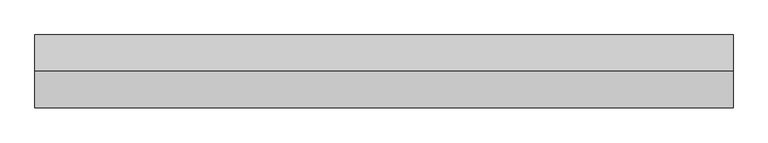
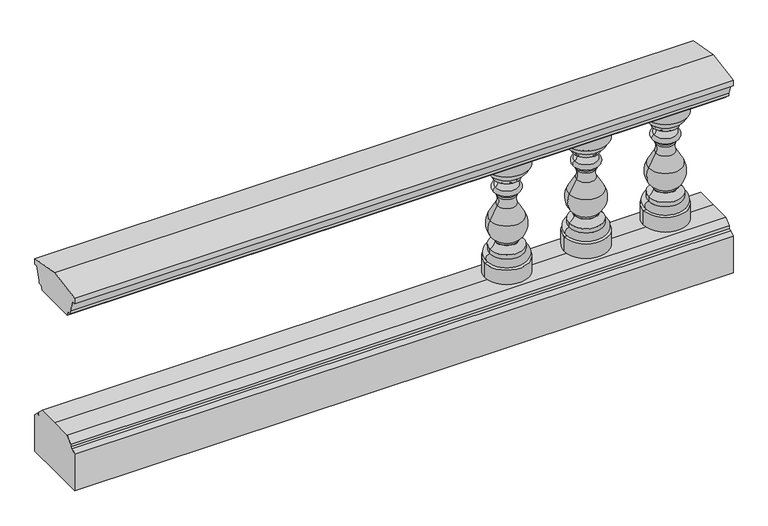
"""IFC4 building model written with IfcOpenShell, lengths in millimetres: railing geometry."""

from ifc_helpers import new_model, si_unit, point, frame, origin, place, context, project, spatial, polyline, circle_curve, ellipse_curve, trimmed, outline, extrude, source, transform, mapped, element, save
from ifc_brep_helpers import plane_surface, cylinder_surface, revolved_surface, advanced_brep


def railing_7a5bd01f(model_context):
    return source(origin(), model_context, "Body", "SolidModel", [
        extrude(outline(polyline([(3497.831309, 594.0), (3424.831309, 594.0), (3351.831309, 594.0), (3346.003184, 608.0), (3336.003184, 608.0), (3336.003184, 618.0), (3319.831309, 660.0), (3309.831309, 660.0), (3309.831309, 680.0), (3424.831309, 700.0), (3539.831309, 680.0), (3539.831309, 660.0), (3529.831309, 660.0), (3513.659434, 618.0), (3513.659434, 608.0), (3503.659434, 608.0), (3497.831309, 594.0)])), frame((1239.8785425, 0.0, 0.0), z_axis=(1.0, 0.0, 0.0), x_axis=(0.0, 1.0, 0.0)), (0.0, 0.0, 1.0), 2200.0),
        extrude(outline(polyline([(3497.831309, 170.0), (3517.050059, 150.78125), (3517.050059, 140.78125), (3527.050059, 140.78125), (3539.831309, 128.0), (3539.831309, 0.0), (3424.831309, 0.0), (3309.831309, 0.0), (3309.831309, 128.0), (3322.612559, 140.78125), (3332.612559, 140.78125), (3332.612559, 150.78125), (3351.831309, 170.0), (3424.831309, 170.0), (3497.831309, 170.0)])), frame((1239.8785425, 0.0, 0.0), z_axis=(1.0, 0.0, 0.0), x_axis=(0.0, 1.0, 0.0)), (0.0, 0.0, 1.0), 2200.0),
        advanced_brep(
        [(3352.8785425, 3424.831309, 231.0), (3206.8785425, 3424.831309, 231.0), (3206.8785425, 3424.831309, 180.0), (3352.8785425, 3424.831309, 180.0), (3335.8785431, 3424.831309, 231.0), (3223.8785419, 3424.831309, 231.0), (3335.8785431, 3424.831309, 258.0), (3223.8785419, 3424.831309, 258.0), (3335.8785431, 3424.831309, 273.0), (3223.8785419, 3424.831309, 273.0), (3318.5347925, 3424.831309, 294.0), (3241.2222925, 3424.831309, 294.0), (3316.8785425, 3424.831309, 294.0), (3242.8785425, 3424.831309, 294.0), (3316.8785425, 3424.831309, 300.0), (3242.8785425, 3424.831309, 300.0), (3335.5049615, 3424.831309, 374.706486), (3224.2521236, 3424.831309, 374.706486), (3311.0972925, 3424.831309, 418.453125), (3248.6597925, 3424.831309, 418.453125), (3309.98863, 3424.831309, 450.2010664), (3249.7684551, 3424.831309, 450.2010664), (3315.0269971, 3424.831309, 460.53125), (3244.7300879, 3424.831309, 460.53125), (3315.0269971, 3424.831309, 469.0), (3244.7300879, 3424.831309, 469.0), (3319.0074488, 3424.831309, 469.0), (3240.7496363, 3424.831309, 469.0), (3318.128077, 3424.831309, 485.7794118), (3241.629008, 3424.831309, 485.7794118), (3322.8785425, 3424.831309, 514.97739), (3236.8785425, 3424.831309, 514.97739), (3322.8785425, 3424.831309, 528.3952726), (3236.8785425, 3424.831309, 528.3952726), (3349.2567406, 3424.831309, 560.0), (3210.5003444, 3424.831309, 560.0), (3352.8785425, 3424.831309, 560.0), (3206.8785425, 3424.831309, 560.0), (3352.8785425, 3424.831309, 594.0), (3206.8785425, 3424.831309, 594.0), (3279.8785425, 3424.831309, 594.0), (3279.8785425, 3424.831309, 180.0)],
        [
            (0, 1, circle_curve(frame((3279.8785425, 3424.831309, 231.0), z_axis=(0.0, 0.0, -1.0), x_axis=(-1.0, 0.0, 0.0)), 73.0)),
            (1, 2),
            (2, 3, circle_curve(frame((3279.8785425, 3424.831309, 180.0), z_axis=(0.0, 0.0, 1.0), x_axis=(-1.0, 0.0, 0.0)), 73.0)),
            (3, 0),
            (1, 0, circle_curve(frame((3279.8785425, 3424.831309, 231.0), z_axis=(0.0, 0.0, -1.0), x_axis=(-1.0, 0.0, 0.0)), 73.0)),
            (3, 2, circle_curve(frame((3279.8785425, 3424.831309, 180.0), z_axis=(0.0, 0.0, 1.0), x_axis=(-1.0, 0.0, 0.0)), 73.0)),
            (4, 5, circle_curve(frame((3279.8785425, 3424.831309, 231.0), z_axis=(0.0, 0.0, -1.0), x_axis=(-1.0, 0.0, 0.0)), 56.0000006)),
            (5, 1),
            (0, 4),
            (5, 4, circle_curve(frame((3279.8785425, 3424.831309, 231.0), z_axis=(0.0, 0.0, -1.0), x_axis=(-1.0, 0.0, 0.0)), 56.0000006)),
            (6, 7, circle_curve(frame((3279.8785425, 3424.831309, 258.0), z_axis=(0.0, 0.0, -1.0), x_axis=(-1.0, 0.0, 0.0)), 56.0000006)),
            (7, 5, circle_curve(frame((3223.8785419, 3424.831309, 244.5), z_axis=(0.0, -1.0, 0.0), x_axis=(-1.0, 0.0, 0.0)), 13.5)),
            (4, 6, circle_curve(frame((3335.8785431, 3424.831309, 244.5), z_axis=(0.0, -1.0, 0.0), x_axis=(1.0, 0.0, 0.0)), 13.5)),
            (7, 6, circle_curve(frame((3279.8785425, 3424.831309, 258.0), z_axis=(0.0, 0.0, -1.0), x_axis=(-1.0, 0.0, 0.0)), 56.0000006)),
            (8, 9, circle_curve(frame((3279.8785425, 3424.831309, 273.0), z_axis=(0.0, 0.0, -1.0), x_axis=(-1.0, 0.0, 0.0)), 56.0000006)),
            (9, 7),
            (6, 8),
            (9, 8, circle_curve(frame((3279.8785425, 3424.831309, 273.0), z_axis=(0.0, 0.0, -1.0), x_axis=(-1.0, 0.0, 0.0)), 56.0000006)),
            (10, 11, circle_curve(frame((3279.8785425, 3424.831309, 294.0), z_axis=(0.0, 0.0, -1.0), x_axis=(-1.0, 0.0, 0.0)), 38.65625)),
            (11, 9, circle_curve(frame((3205.930206, 3424.831309, 305.485443), z_axis=(0.0, 1.0, 0.0), x_axis=(-1.0, 0.0, 0.0)), 37.11397)),
            (8, 10, circle_curve(frame((3353.826879, 3424.831309, 305.485443), z_axis=(0.0, 1.0, 0.0), x_axis=(1.0, 0.0, 0.0)), 37.11397)),
            (11, 10, circle_curve(frame((3279.8785425, 3424.831309, 294.0), z_axis=(0.0, 0.0, -1.0), x_axis=(-1.0, 0.0, 0.0)), 38.65625)),
            (12, 13, circle_curve(frame((3279.8785425, 3424.831309, 294.0), z_axis=(0.0, 0.0, -1.0), x_axis=(-1.0, 0.0, 0.0)), 37.0)),
            (13, 11),
            (10, 12),
            (13, 12, circle_curve(frame((3279.8785425, 3424.831309, 294.0), z_axis=(0.0, 0.0, -1.0), x_axis=(-1.0, 0.0, 0.0)), 37.0)),
            (14, 15, circle_curve(frame((3279.8785425, 3424.831309, 300.0), z_axis=(0.0, 0.0, -1.0), x_axis=(-1.0, 0.0, 0.0)), 37.0)),
            (15, 13),
            (12, 14),
            (15, 14, circle_curve(frame((3279.8785425, 3424.831309, 300.0), z_axis=(0.0, 0.0, -1.0), x_axis=(-1.0, 0.0, 0.0)), 37.0)),
            (16, 17, circle_curve(frame((3279.8785425, 3424.831309, 374.706486), z_axis=(0.0, 0.0, -1.0), x_axis=(-1.0, 0.0, 0.0)), 55.6264189)),
            (17, 15, circle_curve(frame((3278.1480187, 3424.831309, 348.468955), z_axis=(0.0, -1.0, 0.0), x_axis=(-1.0, 0.0, 0.0)), 59.9431026)),
            (14, 16, circle_curve(frame((3281.6090663, 3424.831309, 348.468955), z_axis=(0.0, -1.0, 0.0), x_axis=(1.0, 0.0, 0.0)), 59.9431026)),
            (17, 16, circle_curve(frame((3279.8785425, 3424.831309, 374.706486), z_axis=(0.0, 0.0, -1.0), x_axis=(-1.0, 0.0, 0.0)), 55.6264189)),
            (18, 19, circle_curve(frame((3279.8785425, 3424.831309, 418.453125), z_axis=(0.0, 0.0, -1.0), x_axis=(-1.0, 0.0, 0.0)), 31.21875)),
            (19, 17, circle_curve(frame((3627.5812974, 3424.831309, 178.3582915), z_axis=(0.0, -1.0, 0.0), x_axis=(-1.0, 0.0, 0.0)), 448.5833656)),
            (16, 18, circle_curve(frame((2932.1757876, 3424.831309, 178.3582915), z_axis=(0.0, -1.0, 0.0), x_axis=(1.0, 0.0, 0.0)), 448.5833656)),
            (19, 18, circle_curve(frame((3279.8785425, 3424.831309, 418.453125), z_axis=(0.0, 0.0, -1.0), x_axis=(-1.0, 0.0, 0.0)), 31.21875)),
            (20, 21, circle_curve(frame((3279.8785425, 3424.831309, 450.2010664), z_axis=(0.0, 0.0, -1.0), x_axis=(-1.0, 0.0, 0.0)), 30.1100875)),
            (21, 19, circle_curve(frame((3215.3434516, 3424.831309, 435.5098857), z_axis=(0.0, 1.0, 0.0), x_axis=(-1.0, 0.0, 0.0)), 37.4287544)),
            (18, 20, circle_curve(frame((3344.4136335, 3424.831309, 435.5098857), z_axis=(0.0, 1.0, 0.0), x_axis=(1.0, 0.0, 0.0)), 37.4287544)),
            (21, 20, circle_curve(frame((3279.8785425, 3424.831309, 450.2010664), z_axis=(0.0, 0.0, -1.0), x_axis=(-1.0, 0.0, 0.0)), 30.1100875)),
            (22, 23, circle_curve(frame((3279.8785425, 3424.831309, 460.53125), z_axis=(0.0, 0.0, -1.0), x_axis=(-1.0, 0.0, 0.0)), 35.1484546)),
            (23, 21, circle_curve(frame((3144.9069564, 3424.831309, 405.450476), z_axis=(0.0, 1.0, 0.0), x_axis=(-1.0, 0.0, 0.0)), 114.0111803)),
            (20, 22, circle_curve(frame((3414.8501286, 3424.831309, 405.450476), z_axis=(0.0, 1.0, 0.0), x_axis=(1.0, 0.0, 0.0)), 114.0111803)),
            (23, 22, circle_curve(frame((3279.8785425, 3424.831309, 460.53125), z_axis=(0.0, 0.0, -1.0), x_axis=(-1.0, 0.0, 0.0)), 35.1484546)),
            (24, 25, circle_curve(frame((3279.8785425, 3424.831309, 469.0), z_axis=(0.0, 0.0, -1.0), x_axis=(-1.0, 0.0, 0.0)), 35.1484546)),
            (25, 23),
            (22, 24),
            (25, 24, circle_curve(frame((3279.8785425, 3424.831309, 469.0), z_axis=(0.0, 0.0, -1.0), x_axis=(-1.0, 0.0, 0.0)), 35.1484546)),
            (26, 27, circle_curve(frame((3279.8785425, 3424.831309, 469.0), z_axis=(0.0, 0.0, -1.0), x_axis=(-1.0, 0.0, 0.0)), 39.1289062)),
            (27, 25),
            (24, 26),
            (27, 26, circle_curve(frame((3279.8785425, 3424.831309, 469.0), z_axis=(0.0, 0.0, -1.0), x_axis=(-1.0, 0.0, 0.0)), 39.1289062)),
            (28, 29, circle_curve(frame((3279.8785425, 3424.831309, 485.7794118), z_axis=(0.0, 0.0, -1.0), x_axis=(-1.0, 0.0, 0.0)), 38.2495345)),
            (29, 27, circle_curve(frame((3243.4362434, 3424.831309, 477.2719498), z_axis=(0.0, -1.0, 0.0), x_axis=(-1.0, 0.0, 0.0)), 8.6972991)),
            (26, 28, circle_curve(frame((3316.3208416, 3424.831309, 477.2719498), z_axis=(0.0, -1.0, 0.0), x_axis=(1.0, 0.0, 0.0)), 8.6972991)),
            (29, 28, circle_curve(frame((3279.8785425, 3424.831309, 485.7794118), z_axis=(0.0, 0.0, -1.0), x_axis=(-1.0, 0.0, 0.0)), 38.2495345)),
            (30, 31, circle_curve(frame((3279.8785425, 3424.831309, 514.97739), z_axis=(0.0, 0.0, -1.0), x_axis=(-1.0, 0.0, 0.0)), 43.0)),
            (31, 29, circle_curve(frame((3234.0593969, 3424.831309, 499.5332837), z_axis=(0.0, 1.0, 0.0), x_axis=(-1.0, 0.0, 0.0)), 15.6992994)),
            (28, 30, circle_curve(frame((3325.6976881, 3424.831309, 499.5332837), z_axis=(0.0, 1.0, 0.0), x_axis=(1.0, 0.0, 0.0)), 15.6992994)),
            (31, 30, circle_curve(frame((3279.8785425, 3424.831309, 514.97739), z_axis=(0.0, 0.0, -1.0), x_axis=(-1.0, 0.0, 0.0)), 43.0)),
            (32, 33, circle_curve(frame((3279.8785425, 3424.831309, 528.3952726), z_axis=(0.0, 0.0, -1.0), x_axis=(-1.0, 0.0, 0.0)), 43.0)),
            (33, 31),
            (30, 32),
            (33, 32, circle_curve(frame((3279.8785425, 3424.831309, 528.3952726), z_axis=(0.0, 0.0, -1.0), x_axis=(-1.0, 0.0, 0.0)), 43.0)),
            (34, 35, circle_curve(frame((3279.8785425, 3424.831309, 560.0), z_axis=(0.0, 0.0, -1.0), x_axis=(-1.0, 0.0, 0.0)), 69.3781981)),
            (35, 33, circle_curve(frame((3247.437687, 3424.831309, 564.0185912), z_axis=(0.0, -1.0, 0.0), x_axis=(-1.0, 0.0, 0.0)), 37.1553005)),
            (32, 34, circle_curve(frame((3312.319398, 3424.831309, 564.0185912), z_axis=(0.0, -1.0, 0.0), x_axis=(1.0, 0.0, 0.0)), 37.1553005)),
            (35, 34, circle_curve(frame((3279.8785425, 3424.831309, 560.0), z_axis=(0.0, 0.0, -1.0), x_axis=(-1.0, 0.0, 0.0)), 69.3781981)),
            (36, 37, circle_curve(frame((3279.8785425, 3424.831309, 560.0), z_axis=(0.0, 0.0, -1.0), x_axis=(-1.0, 0.0, 0.0)), 73.0)),
            (37, 35),
            (34, 36),
            (37, 36, circle_curve(frame((3279.8785425, 3424.831309, 560.0), z_axis=(0.0, 0.0, -1.0), x_axis=(-1.0, 0.0, 0.0)), 73.0)),
            (38, 39, circle_curve(frame((3279.8785425, 3424.831309, 594.0), z_axis=(0.0, 0.0, -1.0), x_axis=(-1.0, 0.0, 0.0)), 73.0)),
            (39, 37),
            (36, 38),
            (39, 38, circle_curve(frame((3279.8785425, 3424.831309, 594.0), z_axis=(0.0, 0.0, -1.0), x_axis=(-1.0, 0.0, 0.0)), 73.0)),
            (40, 39),
            (38, 40),
            (2, 41),
            (41, 3),
        ],
        [
            cylinder_surface(frame((3279.8785425, 3424.831309, 634.0), z_axis=(0.0, 0.0, 1.0), x_axis=(-1.0, 0.0, 0.0)), 73.0),
            plane_surface(frame((3279.8785425, 3424.831309, 231.0), z_axis=(0.0, 0.0, 1.0), x_axis=(-1.0, 0.0, 0.0))),
            revolved_surface(trimmed(ellipse_curve(frame((3223.8785419, 3424.831309, 244.5), z_axis=(0.0, 1.0, 0.0), x_axis=(-1.0, 0.0, 0.0)), 13.5, 13.5), [point((3223.8785419, 3424.831309, 231.0))], [point((3223.8785419, 3424.831309, 258.0))], True, "CARTESIAN"), (3279.8785425, 3424.831309, 634.0), (0.0, 0.0, 1.0)),
            cylinder_surface(frame((3279.8785425, 3424.831309, 634.0), z_axis=(0.0, 0.0, 1.0), x_axis=(-1.0, 0.0, 0.0)), 56.0000006),
            revolved_surface(trimmed(ellipse_curve(frame((3205.930206, 3424.831309, 305.485443), z_axis=(0.0, -1.0, 0.0), x_axis=(-1.0, 0.0, 0.0)), 37.11397, 37.11397), [point((3223.8785419, 3424.831309, 273.0))], [point((3241.2222925, 3424.831309, 294.0))], True, "CARTESIAN"), (3279.8785425, 3424.831309, 634.0), (0.0, 0.0, 1.0)),
            plane_surface(frame((3279.8785425, 3424.831309, 294.0), z_axis=(0.0, 0.0, 1.0), x_axis=(-1.0, 0.0, 0.0))),
            cylinder_surface(frame((3279.8785425, 3424.831309, 634.0), z_axis=(0.0, 0.0, 1.0), x_axis=(-1.0, 0.0, 0.0)), 37.0),
            revolved_surface(trimmed(ellipse_curve(frame((3278.1480187, 3424.831309, 348.468955), z_axis=(0.0, 1.0, 0.0), x_axis=(-1.0, 0.0, 0.0)), 59.9431026, 59.9431026), [point((3242.8785425, 3424.831309, 300.0))], [point((3224.2521236, 3424.831309, 374.706486))], True, "CARTESIAN"), (3279.8785425, 3424.831309, 634.0), (0.0, 0.0, 1.0)),
            revolved_surface(trimmed(ellipse_curve(frame((3627.5812974, 3424.831309, 178.3582915), z_axis=(0.0, 1.0, 0.0), x_axis=(-1.0, 0.0, 0.0)), 448.5833656, 448.5833656), [point((3224.2521236, 3424.831309, 374.706486))], [point((3248.6597925, 3424.831309, 418.453125))], True, "CARTESIAN"), (3279.8785425, 3424.831309, 634.0), (0.0, 0.0, 1.0)),
            revolved_surface(trimmed(ellipse_curve(frame((3215.3434516, 3424.831309, 435.5098857), z_axis=(0.0, -1.0, 0.0), x_axis=(-1.0, 0.0, 0.0)), 37.4287544, 37.4287544), [point((3248.6597925, 3424.831309, 418.453125))], [point((3249.7684551, 3424.831309, 450.2010664))], True, "CARTESIAN"), (3279.8785425, 3424.831309, 634.0), (0.0, 0.0, 1.0)),
            revolved_surface(trimmed(ellipse_curve(frame((3144.9069564, 3424.831309, 405.450476), z_axis=(0.0, -1.0, 0.0), x_axis=(-1.0, 0.0, 0.0)), 114.0111803, 114.0111803), [point((3249.7684551, 3424.831309, 450.2010664))], [point((3244.7300879, 3424.831309, 460.53125))], True, "CARTESIAN"), (3279.8785425, 3424.831309, 634.0), (0.0, 0.0, 1.0)),
            cylinder_surface(frame((3279.8785425, 3424.831309, 634.0), z_axis=(0.0, 0.0, 1.0), x_axis=(-1.0, 0.0, 0.0)), 35.1484546),
            plane_surface(frame((3279.8785425, 3424.831309, 469.0), z_axis=(0.0, 0.0, -1.0), x_axis=(-1.0, 0.0, 0.0))),
            revolved_surface(trimmed(ellipse_curve(frame((3243.4362434, 3424.831309, 477.2719498), z_axis=(0.0, 1.0, 0.0), x_axis=(-1.0, 0.0, 0.0)), 8.6972991, 8.6972991), [point((3240.7496363, 3424.831309, 469.0))], [point((3241.629008, 3424.831309, 485.7794118))], True, "CARTESIAN"), (3279.8785425, 3424.831309, 634.0), (0.0, 0.0, 1.0)),
            revolved_surface(trimmed(ellipse_curve(frame((3234.0593969, 3424.831309, 499.5332837), z_axis=(0.0, -1.0, 0.0), x_axis=(-1.0, 0.0, 0.0)), 15.6992994, 15.6992994), [point((3241.629008, 3424.831309, 485.7794118))], [point((3236.8785425, 3424.831309, 514.97739))], True, "CARTESIAN"), (3279.8785425, 3424.831309, 634.0), (0.0, 0.0, 1.0)),
            cylinder_surface(frame((3279.8785425, 3424.831309, 634.0), z_axis=(0.0, 0.0, 1.0), x_axis=(-1.0, 0.0, 0.0)), 43.0),
            revolved_surface(trimmed(ellipse_curve(frame((3247.437687, 3424.831309, 564.0185912), z_axis=(0.0, 1.0, 0.0), x_axis=(-1.0, 0.0, 0.0)), 37.1553005, 37.1553005), [point((3236.8785425, 3424.831309, 528.3952726))], [point((3210.5003444, 3424.831309, 560.0))], True, "CARTESIAN"), (3279.8785425, 3424.831309, 634.0), (0.0, 0.0, 1.0)),
            plane_surface(frame((3279.8785425, 3424.831309, 560.0), z_axis=(0.0, 0.0, -1.0), x_axis=(-1.0, 0.0, 0.0))),
            plane_surface(frame((3279.8785425, 3424.831309, 594.0), z_axis=(0.0, 0.0, 1.0), x_axis=(-1.0, 0.0, 0.0))),
            plane_surface(frame((3279.8785425, 3424.831309, 180.0), z_axis=(0.0, 0.0, -1.0), x_axis=(-1.0, 0.0, 0.0))),
        ],
        [
            (0, [[1, 2, 3, 4]]),
            (0, [[5, -4, 6, -2]]),
            (1, [[7, 8, -1, 9]]),
            (1, [[10, -9, -5, -8]]),
            (2, [[11, 12, -7, 13]]),
            (2, [[14, -13, -10, -12]]),
            (3, [[15, 16, -11, 17]]),
            (3, [[18, -17, -14, -16]]),
            (4, [[19, 20, -15, 21]]),
            (4, [[22, -21, -18, -20]]),
            (5, [[23, 24, -19, 25]]),
            (5, [[26, -25, -22, -24]]),
            (6, [[27, 28, -23, 29]]),
            (6, [[30, -29, -26, -28]]),
            (7, [[31, 32, -27, 33]]),
            (7, [[34, -33, -30, -32]]),
            (8, [[35, 36, -31, 37]]),
            (8, [[38, -37, -34, -36]]),
            (9, [[39, 40, -35, 41]]),
            (9, [[42, -41, -38, -40]]),
            (10, [[43, 44, -39, 45]]),
            (10, [[46, -45, -42, -44]]),
            (11, [[47, 48, -43, 49]]),
            (11, [[50, -49, -46, -48]]),
            (12, [[51, 52, -47, 53]]),
            (12, [[54, -53, -50, -52]]),
            (13, [[55, 56, -51, 57]]),
            (13, [[58, -57, -54, -56]]),
            (14, [[59, 60, -55, 61]]),
            (14, [[62, -61, -58, -60]]),
            (15, [[63, 64, -59, 65]]),
            (15, [[66, -65, -62, -64]]),
            (16, [[67, 68, -63, 69]]),
            (16, [[70, -69, -66, -68]]),
            (17, [[71, 72, -67, 73]]),
            (17, [[74, -73, -70, -72]]),
            (0, [[75, 76, -71, 77]]),
            (0, [[78, -77, -74, -76]]),
            (18, [[79, -75, 80]]),
            (18, [[-80, -78, -79]]),
            (19, [[-3, 81, 82]]),
            (19, [[-6, -82, -81]]),
        ],
    ),
        advanced_brep(
        [(3087.8785425, 3424.831309, 231.0), (2941.8785425, 3424.831309, 231.0), (2941.8785425, 3424.831309, 180.0), (3087.8785425, 3424.831309, 180.0), (3070.8785431, 3424.831309, 231.0), (2958.8785419, 3424.831309, 231.0), (3070.8785431, 3424.831309, 258.0), (2958.8785419, 3424.831309, 258.0), (3070.8785431, 3424.831309, 273.0), (2958.8785419, 3424.831309, 273.0), (3053.5347925, 3424.831309, 294.0), (2976.2222925, 3424.831309, 294.0), (3051.8785425, 3424.831309, 294.0), (2977.8785425, 3424.831309, 294.0), (3051.8785425, 3424.831309, 300.0), (2977.8785425, 3424.831309, 300.0), (3070.5049615, 3424.831309, 374.706486), (2959.2521236, 3424.831309, 374.706486), (3046.0972925, 3424.831309, 418.453125), (2983.6597925, 3424.831309, 418.453125), (3044.98863, 3424.831309, 450.2010664), (2984.7684551, 3424.831309, 450.2010664), (3050.0269971, 3424.831309, 460.53125), (2979.7300879, 3424.831309, 460.53125), (3050.0269971, 3424.831309, 469.0), (2979.7300879, 3424.831309, 469.0), (3054.0074488, 3424.831309, 469.0), (2975.7496363, 3424.831309, 469.0), (3053.128077, 3424.831309, 485.7794118), (2976.629008, 3424.831309, 485.7794118), (3057.8785425, 3424.831309, 514.97739), (2971.8785425, 3424.831309, 514.97739), (3057.8785425, 3424.831309, 528.3952726), (2971.8785425, 3424.831309, 528.3952726), (3084.2567406, 3424.831309, 560.0), (2945.5003444, 3424.831309, 560.0), (3087.8785425, 3424.831309, 560.0), (2941.8785425, 3424.831309, 560.0), (3087.8785425, 3424.831309, 594.0), (2941.8785425, 3424.831309, 594.0), (3014.8785425, 3424.831309, 594.0), (3014.8785425, 3424.831309, 180.0)],
        [
            (0, 1, circle_curve(frame((3014.8785425, 3424.831309, 231.0), z_axis=(0.0, 0.0, -1.0), x_axis=(-1.0, 0.0, 0.0)), 73.0)),
            (1, 2),
            (2, 3, circle_curve(frame((3014.8785425, 3424.831309, 180.0), z_axis=(0.0, 0.0, 1.0), x_axis=(-1.0, 0.0, 0.0)), 73.0)),
            (3, 0),
            (1, 0, circle_curve(frame((3014.8785425, 3424.831309, 231.0), z_axis=(0.0, 0.0, -1.0), x_axis=(-1.0, 0.0, 0.0)), 73.0)),
            (3, 2, circle_curve(frame((3014.8785425, 3424.831309, 180.0), z_axis=(0.0, 0.0, 1.0), x_axis=(-1.0, 0.0, 0.0)), 73.0)),
            (4, 5, circle_curve(frame((3014.8785425, 3424.831309, 231.0), z_axis=(0.0, 0.0, -1.0), x_axis=(-1.0, 0.0, 0.0)), 56.0000006)),
            (5, 1),
            (0, 4),
            (5, 4, circle_curve(frame((3014.8785425, 3424.831309, 231.0), z_axis=(0.0, 0.0, -1.0), x_axis=(-1.0, 0.0, 0.0)), 56.0000006)),
            (6, 7, circle_curve(frame((3014.8785425, 3424.831309, 258.0), z_axis=(0.0, 0.0, -1.0), x_axis=(-1.0, 0.0, 0.0)), 56.0000006)),
            (7, 5, circle_curve(frame((2958.8785419, 3424.831309, 244.5), z_axis=(0.0, -1.0, 0.0), x_axis=(-1.0, 0.0, 0.0)), 13.5)),
            (4, 6, circle_curve(frame((3070.8785431, 3424.831309, 244.5), z_axis=(0.0, -1.0, 0.0), x_axis=(1.0, 0.0, 0.0)), 13.5)),
            (7, 6, circle_curve(frame((3014.8785425, 3424.831309, 258.0), z_axis=(0.0, 0.0, -1.0), x_axis=(-1.0, 0.0, 0.0)), 56.0000006)),
            (8, 9, circle_curve(frame((3014.8785425, 3424.831309, 273.0), z_axis=(0.0, 0.0, -1.0), x_axis=(-1.0, 0.0, 0.0)), 56.0000006)),
            (9, 7),
            (6, 8),
            (9, 8, circle_curve(frame((3014.8785425, 3424.831309, 273.0), z_axis=(0.0, 0.0, -1.0), x_axis=(-1.0, 0.0, 0.0)), 56.0000006)),
            (10, 11, circle_curve(frame((3014.8785425, 3424.831309, 294.0), z_axis=(0.0, 0.0, -1.0), x_axis=(-1.0, 0.0, 0.0)), 38.65625)),
            (11, 9, circle_curve(frame((2940.930206, 3424.831309, 305.485443), z_axis=(0.0, 1.0, 0.0), x_axis=(-1.0, 0.0, 0.0)), 37.11397)),
            (8, 10, circle_curve(frame((3088.826879, 3424.831309, 305.485443), z_axis=(0.0, 1.0, 0.0), x_axis=(1.0, 0.0, 0.0)), 37.11397)),
            (11, 10, circle_curve(frame((3014.8785425, 3424.831309, 294.0), z_axis=(0.0, 0.0, -1.0), x_axis=(-1.0, 0.0, 0.0)), 38.65625)),
            (12, 13, circle_curve(frame((3014.8785425, 3424.831309, 294.0), z_axis=(0.0, 0.0, -1.0), x_axis=(-1.0, 0.0, 0.0)), 37.0)),
            (13, 11),
            (10, 12),
            (13, 12, circle_curve(frame((3014.8785425, 3424.831309, 294.0), z_axis=(0.0, 0.0, -1.0), x_axis=(-1.0, 0.0, 0.0)), 37.0)),
            (14, 15, circle_curve(frame((3014.8785425, 3424.831309, 300.0), z_axis=(0.0, 0.0, -1.0), x_axis=(-1.0, 0.0, 0.0)), 37.0)),
            (15, 13),
            (12, 14),
            (15, 14, circle_curve(frame((3014.8785425, 3424.831309, 300.0), z_axis=(0.0, 0.0, -1.0), x_axis=(-1.0, 0.0, 0.0)), 37.0)),
            (16, 17, circle_curve(frame((3014.8785425, 3424.831309, 374.706486), z_axis=(0.0, 0.0, -1.0), x_axis=(-1.0, 0.0, 0.0)), 55.6264189)),
            (17, 15, circle_curve(frame((3013.1480187, 3424.831309, 348.468955), z_axis=(0.0, -1.0, 0.0), x_axis=(-1.0, 0.0, 0.0)), 59.9431026)),
            (14, 16, circle_curve(frame((3016.6090663, 3424.831309, 348.468955), z_axis=(0.0, -1.0, 0.0), x_axis=(1.0, 0.0, 0.0)), 59.9431026)),
            (17, 16, circle_curve(frame((3014.8785425, 3424.831309, 374.706486), z_axis=(0.0, 0.0, -1.0), x_axis=(-1.0, 0.0, 0.0)), 55.6264189)),
            (18, 19, circle_curve(frame((3014.8785425, 3424.831309, 418.453125), z_axis=(0.0, 0.0, -1.0), x_axis=(-1.0, 0.0, 0.0)), 31.21875)),
            (19, 17, circle_curve(frame((3362.5812974, 3424.831309, 178.3582915), z_axis=(0.0, -1.0, 0.0), x_axis=(-1.0, 0.0, 0.0)), 448.5833656)),
            (16, 18, circle_curve(frame((2667.1757876, 3424.831309, 178.3582915), z_axis=(0.0, -1.0, 0.0), x_axis=(1.0, 0.0, 0.0)), 448.5833656)),
            (19, 18, circle_curve(frame((3014.8785425, 3424.831309, 418.453125), z_axis=(0.0, 0.0, -1.0), x_axis=(-1.0, 0.0, 0.0)), 31.21875)),
            (20, 21, circle_curve(frame((3014.8785425, 3424.831309, 450.2010664), z_axis=(0.0, 0.0, -1.0), x_axis=(-1.0, 0.0, 0.0)), 30.1100875)),
            (21, 19, circle_curve(frame((2950.3434516, 3424.831309, 435.5098857), z_axis=(0.0, 1.0, 0.0), x_axis=(-1.0, 0.0, 0.0)), 37.4287544)),
            (18, 20, circle_curve(frame((3079.4136335, 3424.831309, 435.5098857), z_axis=(0.0, 1.0, 0.0), x_axis=(1.0, 0.0, 0.0)), 37.4287544)),
            (21, 20, circle_curve(frame((3014.8785425, 3424.831309, 450.2010664), z_axis=(0.0, 0.0, -1.0), x_axis=(-1.0, 0.0, 0.0)), 30.1100875)),
            (22, 23, circle_curve(frame((3014.8785425, 3424.831309, 460.53125), z_axis=(0.0, 0.0, -1.0), x_axis=(-1.0, 0.0, 0.0)), 35.1484546)),
            (23, 21, circle_curve(frame((2879.9069564, 3424.831309, 405.450476), z_axis=(0.0, 1.0, 0.0), x_axis=(-1.0, 0.0, 0.0)), 114.0111803)),
            (20, 22, circle_curve(frame((3149.8501286, 3424.831309, 405.450476), z_axis=(0.0, 1.0, 0.0), x_axis=(1.0, 0.0, 0.0)), 114.0111803)),
            (23, 22, circle_curve(frame((3014.8785425, 3424.831309, 460.53125), z_axis=(0.0, 0.0, -1.0), x_axis=(-1.0, 0.0, 0.0)), 35.1484546)),
            (24, 25, circle_curve(frame((3014.8785425, 3424.831309, 469.0), z_axis=(0.0, 0.0, -1.0), x_axis=(-1.0, 0.0, 0.0)), 35.1484546)),
            (25, 23),
            (22, 24),
            (25, 24, circle_curve(frame((3014.8785425, 3424.831309, 469.0), z_axis=(0.0, 0.0, -1.0), x_axis=(-1.0, 0.0, 0.0)), 35.1484546)),
            (26, 27, circle_curve(frame((3014.8785425, 3424.831309, 469.0), z_axis=(0.0, 0.0, -1.0), x_axis=(-1.0, 0.0, 0.0)), 39.1289062)),
            (27, 25),
            (24, 26),
            (27, 26, circle_curve(frame((3014.8785425, 3424.831309, 469.0), z_axis=(0.0, 0.0, -1.0), x_axis=(-1.0, 0.0, 0.0)), 39.1289062)),
            (28, 29, circle_curve(frame((3014.8785425, 3424.831309, 485.7794118), z_axis=(0.0, 0.0, -1.0), x_axis=(-1.0, 0.0, 0.0)), 38.2495345)),
            (29, 27, circle_curve(frame((2978.4362434, 3424.831309, 477.2719498), z_axis=(0.0, -1.0, 0.0), x_axis=(-1.0, 0.0, 0.0)), 8.6972991)),
            (26, 28, circle_curve(frame((3051.3208416, 3424.831309, 477.2719498), z_axis=(0.0, -1.0, 0.0), x_axis=(1.0, 0.0, 0.0)), 8.6972991)),
            (29, 28, circle_curve(frame((3014.8785425, 3424.831309, 485.7794118), z_axis=(0.0, 0.0, -1.0), x_axis=(-1.0, 0.0, 0.0)), 38.2495345)),
            (30, 31, circle_curve(frame((3014.8785425, 3424.831309, 514.97739), z_axis=(0.0, 0.0, -1.0), x_axis=(-1.0, 0.0, 0.0)), 43.0)),
            (31, 29, circle_curve(frame((2969.0593969, 3424.831309, 499.5332837), z_axis=(0.0, 1.0, 0.0), x_axis=(-1.0, 0.0, 0.0)), 15.6992994)),
            (28, 30, circle_curve(frame((3060.6976881, 3424.831309, 499.5332837), z_axis=(0.0, 1.0, 0.0), x_axis=(1.0, 0.0, 0.0)), 15.6992994)),
            (31, 30, circle_curve(frame((3014.8785425, 3424.831309, 514.97739), z_axis=(0.0, 0.0, -1.0), x_axis=(-1.0, 0.0, 0.0)), 43.0)),
            (32, 33, circle_curve(frame((3014.8785425, 3424.831309, 528.3952726), z_axis=(0.0, 0.0, -1.0), x_axis=(-1.0, 0.0, 0.0)), 43.0)),
            (33, 31),
            (30, 32),
            (33, 32, circle_curve(frame((3014.8785425, 3424.831309, 528.3952726), z_axis=(0.0, 0.0, -1.0), x_axis=(-1.0, 0.0, 0.0)), 43.0)),
            (34, 35, circle_curve(frame((3014.8785425, 3424.831309, 560.0), z_axis=(0.0, 0.0, -1.0), x_axis=(-1.0, 0.0, 0.0)), 69.3781981)),
            (35, 33, circle_curve(frame((2982.437687, 3424.831309, 564.0185912), z_axis=(0.0, -1.0, 0.0), x_axis=(-1.0, 0.0, 0.0)), 37.1553005)),
            (32, 34, circle_curve(frame((3047.319398, 3424.831309, 564.0185912), z_axis=(0.0, -1.0, 0.0), x_axis=(1.0, 0.0, 0.0)), 37.1553005)),
            (35, 34, circle_curve(frame((3014.8785425, 3424.831309, 560.0), z_axis=(0.0, 0.0, -1.0), x_axis=(-1.0, 0.0, 0.0)), 69.3781981)),
            (36, 37, circle_curve(frame((3014.8785425, 3424.831309, 560.0), z_axis=(0.0, 0.0, -1.0), x_axis=(-1.0, 0.0, 0.0)), 73.0)),
            (37, 35),
            (34, 36),
            (37, 36, circle_curve(frame((3014.8785425, 3424.831309, 560.0), z_axis=(0.0, 0.0, -1.0), x_axis=(-1.0, 0.0, 0.0)), 73.0)),
            (38, 39, circle_curve(frame((3014.8785425, 3424.831309, 594.0), z_axis=(0.0, 0.0, -1.0), x_axis=(-1.0, 0.0, 0.0)), 73.0)),
            (39, 37),
            (36, 38),
            (39, 38, circle_curve(frame((3014.8785425, 3424.831309, 594.0), z_axis=(0.0, 0.0, -1.0), x_axis=(-1.0, 0.0, 0.0)), 73.0)),
            (40, 39),
            (38, 40),
            (2, 41),
            (41, 3),
        ],
        [
            cylinder_surface(frame((3014.8785425, 3424.831309, 634.0), z_axis=(0.0, 0.0, 1.0), x_axis=(-1.0, 0.0, 0.0)), 73.0),
            plane_surface(frame((3014.8785425, 3424.831309, 231.0), z_axis=(0.0, 0.0, 1.0), x_axis=(-1.0, 0.0, 0.0))),
            revolved_surface(trimmed(ellipse_curve(frame((2958.8785419, 3424.831309, 244.5), z_axis=(0.0, 1.0, 0.0), x_axis=(-1.0, 0.0, 0.0)), 13.5, 13.5), [point((2958.8785419, 3424.831309, 231.0))], [point((2958.8785419, 3424.831309, 258.0))], True, "CARTESIAN"), (3014.8785425, 3424.831309, 634.0), (0.0, 0.0, 1.0)),
            cylinder_surface(frame((3014.8785425, 3424.831309, 634.0), z_axis=(0.0, 0.0, 1.0), x_axis=(-1.0, 0.0, 0.0)), 56.0000006),
            revolved_surface(trimmed(ellipse_curve(frame((2940.930206, 3424.831309, 305.485443), z_axis=(0.0, -1.0, 0.0), x_axis=(-1.0, 0.0, 0.0)), 37.11397, 37.11397), [point((2958.8785419, 3424.831309, 273.0))], [point((2976.2222925, 3424.831309, 294.0))], True, "CARTESIAN"), (3014.8785425, 3424.831309, 634.0), (0.0, 0.0, 1.0)),
            plane_surface(frame((3014.8785425, 3424.831309, 294.0), z_axis=(0.0, 0.0, 1.0), x_axis=(-1.0, 0.0, 0.0))),
            cylinder_surface(frame((3014.8785425, 3424.831309, 634.0), z_axis=(0.0, 0.0, 1.0), x_axis=(-1.0, 0.0, 0.0)), 37.0),
            revolved_surface(trimmed(ellipse_curve(frame((3013.1480187, 3424.831309, 348.468955), z_axis=(0.0, 1.0, 0.0), x_axis=(-1.0, 0.0, 0.0)), 59.9431026, 59.9431026), [point((2977.8785425, 3424.831309, 300.0))], [point((2959.2521236, 3424.831309, 374.706486))], True, "CARTESIAN"), (3014.8785425, 3424.831309, 634.0), (0.0, 0.0, 1.0)),
            revolved_surface(trimmed(ellipse_curve(frame((3362.5812974, 3424.831309, 178.3582915), z_axis=(0.0, 1.0, 0.0), x_axis=(-1.0, 0.0, 0.0)), 448.5833656, 448.5833656), [point((2959.2521236, 3424.831309, 374.706486))], [point((2983.6597925, 3424.831309, 418.453125))], True, "CARTESIAN"), (3014.8785425, 3424.831309, 634.0), (0.0, 0.0, 1.0)),
            revolved_surface(trimmed(ellipse_curve(frame((2950.3434516, 3424.831309, 435.5098857), z_axis=(0.0, -1.0, 0.0), x_axis=(-1.0, 0.0, 0.0)), 37.4287544, 37.4287544), [point((2983.6597925, 3424.831309, 418.453125))], [point((2984.7684551, 3424.831309, 450.2010664))], True, "CARTESIAN"), (3014.8785425, 3424.831309, 634.0), (0.0, 0.0, 1.0)),
            revolved_surface(trimmed(ellipse_curve(frame((2879.9069564, 3424.831309, 405.450476), z_axis=(0.0, -1.0, 0.0), x_axis=(-1.0, 0.0, 0.0)), 114.0111803, 114.0111803), [point((2984.7684551, 3424.831309, 450.2010664))], [point((2979.7300879, 3424.831309, 460.53125))], True, "CARTESIAN"), (3014.8785425, 3424.831309, 634.0), (0.0, 0.0, 1.0)),
            cylinder_surface(frame((3014.8785425, 3424.831309, 634.0), z_axis=(0.0, 0.0, 1.0), x_axis=(-1.0, 0.0, 0.0)), 35.1484546),
            plane_surface(frame((3014.8785425, 3424.831309, 469.0), z_axis=(0.0, 0.0, -1.0), x_axis=(-1.0, 0.0, 0.0))),
            revolved_surface(trimmed(ellipse_curve(frame((2978.4362434, 3424.831309, 477.2719498), z_axis=(0.0, 1.0, 0.0), x_axis=(-1.0, 0.0, 0.0)), 8.6972991, 8.6972991), [point((2975.7496363, 3424.831309, 469.0))], [point((2976.629008, 3424.831309, 485.7794118))], True, "CARTESIAN"), (3014.8785425, 3424.831309, 634.0), (0.0, 0.0, 1.0)),
            revolved_surface(trimmed(ellipse_curve(frame((2969.0593969, 3424.831309, 499.5332837), z_axis=(0.0, -1.0, 0.0), x_axis=(-1.0, 0.0, 0.0)), 15.6992994, 15.6992994), [point((2976.629008, 3424.831309, 485.7794118))], [point((2971.8785425, 3424.831309, 514.97739))], True, "CARTESIAN"), (3014.8785425, 3424.831309, 634.0), (0.0, 0.0, 1.0)),
            cylinder_surface(frame((3014.8785425, 3424.831309, 634.0), z_axis=(0.0, 0.0, 1.0), x_axis=(-1.0, 0.0, 0.0)), 43.0),
            revolved_surface(trimmed(ellipse_curve(frame((2982.437687, 3424.831309, 564.0185912), z_axis=(0.0, 1.0, 0.0), x_axis=(-1.0, 0.0, 0.0)), 37.1553005, 37.1553005), [point((2971.8785425, 3424.831309, 528.3952726))], [point((2945.5003444, 3424.831309, 560.0))], True, "CARTESIAN"), (3014.8785425, 3424.831309, 634.0), (0.0, 0.0, 1.0)),
            plane_surface(frame((3014.8785425, 3424.831309, 560.0), z_axis=(0.0, 0.0, -1.0), x_axis=(-1.0, 0.0, 0.0))),
            plane_surface(frame((3014.8785425, 3424.831309, 594.0), z_axis=(0.0, 0.0, 1.0), x_axis=(-1.0, 0.0, 0.0))),
            plane_surface(frame((3014.8785425, 3424.831309, 180.0), z_axis=(0.0, 0.0, -1.0), x_axis=(-1.0, 0.0, 0.0))),
        ],
        [
            (0, [[1, 2, 3, 4]]),
            (0, [[5, -4, 6, -2]]),
            (1, [[7, 8, -1, 9]]),
            (1, [[10, -9, -5, -8]]),
            (2, [[11, 12, -7, 13]]),
            (2, [[14, -13, -10, -12]]),
            (3, [[15, 16, -11, 17]]),
            (3, [[18, -17, -14, -16]]),
            (4, [[19, 20, -15, 21]]),
            (4, [[22, -21, -18, -20]]),
            (5, [[23, 24, -19, 25]]),
            (5, [[26, -25, -22, -24]]),
            (6, [[27, 28, -23, 29]]),
            (6, [[30, -29, -26, -28]]),
            (7, [[31, 32, -27, 33]]),
            (7, [[34, -33, -30, -32]]),
            (8, [[35, 36, -31, 37]]),
            (8, [[38, -37, -34, -36]]),
            (9, [[39, 40, -35, 41]]),
            (9, [[42, -41, -38, -40]]),
            (10, [[43, 44, -39, 45]]),
            (10, [[46, -45, -42, -44]]),
            (11, [[47, 48, -43, 49]]),
            (11, [[50, -49, -46, -48]]),
            (12, [[51, 52, -47, 53]]),
            (12, [[54, -53, -50, -52]]),
            (13, [[55, 56, -51, 57]]),
            (13, [[58, -57, -54, -56]]),
            (14, [[59, 60, -55, 61]]),
            (14, [[62, -61, -58, -60]]),
            (15, [[63, 64, -59, 65]]),
            (15, [[66, -65, -62, -64]]),
            (16, [[67, 68, -63, 69]]),
            (16, [[70, -69, -66, -68]]),
            (17, [[71, 72, -67, 73]]),
            (17, [[74, -73, -70, -72]]),
            (0, [[75, 76, -71, 77]]),
            (0, [[78, -77, -74, -76]]),
            (18, [[79, -75, 80]]),
            (18, [[-80, -78, -79]]),
            (19, [[-3, 81, 82]]),
            (19, [[-6, -82, -81]]),
        ],
    ),
        advanced_brep(
        [(2822.8785425, 3424.831309, 231.0), (2676.8785425, 3424.831309, 231.0), (2676.8785425, 3424.831309, 180.0), (2822.8785425, 3424.831309, 180.0), (2805.8785431, 3424.831309, 231.0), (2693.8785419, 3424.831309, 231.0), (2805.8785431, 3424.831309, 258.0), (2693.8785419, 3424.831309, 258.0), (2805.8785431, 3424.831309, 273.0), (2693.8785419, 3424.831309, 273.0), (2788.5347925, 3424.831309, 294.0), (2711.2222925, 3424.831309, 294.0), (2786.8785425, 3424.831309, 294.0), (2712.8785425, 3424.831309, 294.0), (2786.8785425, 3424.831309, 300.0), (2712.8785425, 3424.831309, 300.0), (2805.5049615, 3424.831309, 374.706486), (2694.2521236, 3424.831309, 374.706486), (2781.0972925, 3424.831309, 418.453125), (2718.6597925, 3424.831309, 418.453125), (2779.98863, 3424.831309, 450.2010664), (2719.7684551, 3424.831309, 450.2010664), (2785.0269971, 3424.831309, 460.53125), (2714.7300879, 3424.831309, 460.53125), (2785.0269971, 3424.831309, 469.0), (2714.7300879, 3424.831309, 469.0), (2789.0074488, 3424.831309, 469.0), (2710.7496363, 3424.831309, 469.0), (2788.128077, 3424.831309, 485.7794118), (2711.629008, 3424.831309, 485.7794118), (2792.8785425, 3424.831309, 514.97739), (2706.8785425, 3424.831309, 514.97739), (2792.8785425, 3424.831309, 528.3952726), (2706.8785425, 3424.831309, 528.3952726), (2819.2567406, 3424.831309, 560.0), (2680.5003444, 3424.831309, 560.0), (2822.8785425, 3424.831309, 560.0), (2676.8785425, 3424.831309, 560.0), (2822.8785425, 3424.831309, 594.0), (2676.8785425, 3424.831309, 594.0), (2749.8785425, 3424.831309, 594.0), (2749.8785425, 3424.831309, 180.0)],
        [
            (0, 1, circle_curve(frame((2749.8785425, 3424.831309, 231.0), z_axis=(0.0, 0.0, -1.0), x_axis=(-1.0, 0.0, 0.0)), 73.0)),
            (1, 2),
            (2, 3, circle_curve(frame((2749.8785425, 3424.831309, 180.0), z_axis=(0.0, 0.0, 1.0), x_axis=(-1.0, 0.0, 0.0)), 73.0)),
            (3, 0),
            (1, 0, circle_curve(frame((2749.8785425, 3424.831309, 231.0), z_axis=(0.0, 0.0, -1.0), x_axis=(-1.0, 0.0, 0.0)), 73.0)),
            (3, 2, circle_curve(frame((2749.8785425, 3424.831309, 180.0), z_axis=(0.0, 0.0, 1.0), x_axis=(-1.0, 0.0, 0.0)), 73.0)),
            (4, 5, circle_curve(frame((2749.8785425, 3424.831309, 231.0), z_axis=(0.0, 0.0, -1.0), x_axis=(-1.0, 0.0, 0.0)), 56.0000006)),
            (5, 1),
            (0, 4),
            (5, 4, circle_curve(frame((2749.8785425, 3424.831309, 231.0), z_axis=(0.0, 0.0, -1.0), x_axis=(-1.0, 0.0, 0.0)), 56.0000006)),
            (6, 7, circle_curve(frame((2749.8785425, 3424.831309, 258.0), z_axis=(0.0, 0.0, -1.0), x_axis=(-1.0, 0.0, 0.0)), 56.0000006)),
            (7, 5, circle_curve(frame((2693.8785419, 3424.831309, 244.5), z_axis=(0.0, -1.0, 0.0), x_axis=(-1.0, 0.0, 0.0)), 13.5)),
            (4, 6, circle_curve(frame((2805.8785431, 3424.831309, 244.5), z_axis=(0.0, -1.0, 0.0), x_axis=(1.0, 0.0, 0.0)), 13.5)),
            (7, 6, circle_curve(frame((2749.8785425, 3424.831309, 258.0), z_axis=(0.0, 0.0, -1.0), x_axis=(-1.0, 0.0, 0.0)), 56.0000006)),
            (8, 9, circle_curve(frame((2749.8785425, 3424.831309, 273.0), z_axis=(0.0, 0.0, -1.0), x_axis=(-1.0, 0.0, 0.0)), 56.0000006)),
            (9, 7),
            (6, 8),
            (9, 8, circle_curve(frame((2749.8785425, 3424.831309, 273.0), z_axis=(0.0, 0.0, -1.0), x_axis=(-1.0, 0.0, 0.0)), 56.0000006)),
            (10, 11, circle_curve(frame((2749.8785425, 3424.831309, 294.0), z_axis=(0.0, 0.0, -1.0), x_axis=(-1.0, 0.0, 0.0)), 38.65625)),
            (11, 9, circle_curve(frame((2675.930206, 3424.831309, 305.485443), z_axis=(0.0, 1.0, 0.0), x_axis=(-1.0, 0.0, 0.0)), 37.11397)),
            (8, 10, circle_curve(frame((2823.826879, 3424.831309, 305.485443), z_axis=(0.0, 1.0, 0.0), x_axis=(1.0, 0.0, 0.0)), 37.11397)),
            (11, 10, circle_curve(frame((2749.8785425, 3424.831309, 294.0), z_axis=(0.0, 0.0, -1.0), x_axis=(-1.0, 0.0, 0.0)), 38.65625)),
            (12, 13, circle_curve(frame((2749.8785425, 3424.831309, 294.0), z_axis=(0.0, 0.0, -1.0), x_axis=(-1.0, 0.0, 0.0)), 37.0)),
            (13, 11),
            (10, 12),
            (13, 12, circle_curve(frame((2749.8785425, 3424.831309, 294.0), z_axis=(0.0, 0.0, -1.0), x_axis=(-1.0, 0.0, 0.0)), 37.0)),
            (14, 15, circle_curve(frame((2749.8785425, 3424.831309, 300.0), z_axis=(0.0, 0.0, -1.0), x_axis=(-1.0, 0.0, 0.0)), 37.0)),
            (15, 13),
            (12, 14),
            (15, 14, circle_curve(frame((2749.8785425, 3424.831309, 300.0), z_axis=(0.0, 0.0, -1.0), x_axis=(-1.0, 0.0, 0.0)), 37.0)),
            (16, 17, circle_curve(frame((2749.8785425, 3424.831309, 374.706486), z_axis=(0.0, 0.0, -1.0), x_axis=(-1.0, 0.0, 0.0)), 55.6264189)),
            (17, 15, circle_curve(frame((2748.1480187, 3424.831309, 348.468955), z_axis=(0.0, -1.0, 0.0), x_axis=(-1.0, 0.0, 0.0)), 59.9431026)),
            (14, 16, circle_curve(frame((2751.6090663, 3424.831309, 348.468955), z_axis=(0.0, -1.0, 0.0), x_axis=(1.0, 0.0, 0.0)), 59.9431026)),
            (17, 16, circle_curve(frame((2749.8785425, 3424.831309, 374.706486), z_axis=(0.0, 0.0, -1.0), x_axis=(-1.0, 0.0, 0.0)), 55.6264189)),
            (18, 19, circle_curve(frame((2749.8785425, 3424.831309, 418.453125), z_axis=(0.0, 0.0, -1.0), x_axis=(-1.0, 0.0, 0.0)), 31.21875)),
            (19, 17, circle_curve(frame((3097.5812974, 3424.831309, 178.3582915), z_axis=(0.0, -1.0, 0.0), x_axis=(-1.0, 0.0, 0.0)), 448.5833656)),
            (16, 18, circle_curve(frame((2402.1757876, 3424.831309, 178.3582915), z_axis=(0.0, -1.0, 0.0), x_axis=(1.0, 0.0, 0.0)), 448.5833656)),
            (19, 18, circle_curve(frame((2749.8785425, 3424.831309, 418.453125), z_axis=(0.0, 0.0, -1.0), x_axis=(-1.0, 0.0, 0.0)), 31.21875)),
            (20, 21, circle_curve(frame((2749.8785425, 3424.831309, 450.2010664), z_axis=(0.0, 0.0, -1.0), x_axis=(-1.0, 0.0, 0.0)), 30.1100875)),
            (21, 19, circle_curve(frame((2685.3434516, 3424.831309, 435.5098857), z_axis=(0.0, 1.0, 0.0), x_axis=(-1.0, 0.0, 0.0)), 37.4287544)),
            (18, 20, circle_curve(frame((2814.4136335, 3424.831309, 435.5098857), z_axis=(0.0, 1.0, 0.0), x_axis=(1.0, 0.0, 0.0)), 37.4287544)),
            (21, 20, circle_curve(frame((2749.8785425, 3424.831309, 450.2010664), z_axis=(0.0, 0.0, -1.0), x_axis=(-1.0, 0.0, 0.0)), 30.1100875)),
            (22, 23, circle_curve(frame((2749.8785425, 3424.831309, 460.53125), z_axis=(0.0, 0.0, -1.0), x_axis=(-1.0, 0.0, 0.0)), 35.1484546)),
            (23, 21, circle_curve(frame((2614.9069564, 3424.831309, 405.450476), z_axis=(0.0, 1.0, 0.0), x_axis=(-1.0, 0.0, 0.0)), 114.0111803)),
            (20, 22, circle_curve(frame((2884.8501286, 3424.831309, 405.450476), z_axis=(0.0, 1.0, 0.0), x_axis=(1.0, 0.0, 0.0)), 114.0111803)),
            (23, 22, circle_curve(frame((2749.8785425, 3424.831309, 460.53125), z_axis=(0.0, 0.0, -1.0), x_axis=(-1.0, 0.0, 0.0)), 35.1484546)),
            (24, 25, circle_curve(frame((2749.8785425, 3424.831309, 469.0), z_axis=(0.0, 0.0, -1.0), x_axis=(-1.0, 0.0, 0.0)), 35.1484546)),
            (25, 23),
            (22, 24),
            (25, 24, circle_curve(frame((2749.8785425, 3424.831309, 469.0), z_axis=(0.0, 0.0, -1.0), x_axis=(-1.0, 0.0, 0.0)), 35.1484546)),
            (26, 27, circle_curve(frame((2749.8785425, 3424.831309, 469.0), z_axis=(0.0, 0.0, -1.0), x_axis=(-1.0, 0.0, 0.0)), 39.1289062)),
            (27, 25),
            (24, 26),
            (27, 26, circle_curve(frame((2749.8785425, 3424.831309, 469.0), z_axis=(0.0, 0.0, -1.0), x_axis=(-1.0, 0.0, 0.0)), 39.1289062)),
            (28, 29, circle_curve(frame((2749.8785425, 3424.831309, 485.7794118), z_axis=(0.0, 0.0, -1.0), x_axis=(-1.0, 0.0, 0.0)), 38.2495345)),
            (29, 27, circle_curve(frame((2713.4362434, 3424.831309, 477.2719498), z_axis=(0.0, -1.0, 0.0), x_axis=(-1.0, 0.0, 0.0)), 8.6972991)),
            (26, 28, circle_curve(frame((2786.3208416, 3424.831309, 477.2719498), z_axis=(0.0, -1.0, 0.0), x_axis=(1.0, 0.0, 0.0)), 8.6972991)),
            (29, 28, circle_curve(frame((2749.8785425, 3424.831309, 485.7794118), z_axis=(0.0, 0.0, -1.0), x_axis=(-1.0, 0.0, 0.0)), 38.2495345)),
            (30, 31, circle_curve(frame((2749.8785425, 3424.831309, 514.97739), z_axis=(0.0, 0.0, -1.0), x_axis=(-1.0, 0.0, 0.0)), 43.0)),
            (31, 29, circle_curve(frame((2704.0593969, 3424.831309, 499.5332837), z_axis=(0.0, 1.0, 0.0), x_axis=(-1.0, 0.0, 0.0)), 15.6992994)),
            (28, 30, circle_curve(frame((2795.6976881, 3424.831309, 499.5332837), z_axis=(0.0, 1.0, 0.0), x_axis=(1.0, 0.0, 0.0)), 15.6992994)),
            (31, 30, circle_curve(frame((2749.8785425, 3424.831309, 514.97739), z_axis=(0.0, 0.0, -1.0), x_axis=(-1.0, 0.0, 0.0)), 43.0)),
            (32, 33, circle_curve(frame((2749.8785425, 3424.831309, 528.3952726), z_axis=(0.0, 0.0, -1.0), x_axis=(-1.0, 0.0, 0.0)), 43.0)),
            (33, 31),
            (30, 32),
            (33, 32, circle_curve(frame((2749.8785425, 3424.831309, 528.3952726), z_axis=(0.0, 0.0, -1.0), x_axis=(-1.0, 0.0, 0.0)), 43.0)),
            (34, 35, circle_curve(frame((2749.8785425, 3424.831309, 560.0), z_axis=(0.0, 0.0, -1.0), x_axis=(-1.0, 0.0, 0.0)), 69.3781981)),
            (35, 33, circle_curve(frame((2717.437687, 3424.831309, 564.0185912), z_axis=(0.0, -1.0, 0.0), x_axis=(-1.0, 0.0, 0.0)), 37.1553005)),
            (32, 34, circle_curve(frame((2782.319398, 3424.831309, 564.0185912), z_axis=(0.0, -1.0, 0.0), x_axis=(1.0, 0.0, 0.0)), 37.1553005)),
            (35, 34, circle_curve(frame((2749.8785425, 3424.831309, 560.0), z_axis=(0.0, 0.0, -1.0), x_axis=(-1.0, 0.0, 0.0)), 69.3781981)),
            (36, 37, circle_curve(frame((2749.8785425, 3424.831309, 560.0), z_axis=(0.0, 0.0, -1.0), x_axis=(-1.0, 0.0, 0.0)), 73.0)),
            (37, 35),
            (34, 36),
            (37, 36, circle_curve(frame((2749.8785425, 3424.831309, 560.0), z_axis=(0.0, 0.0, -1.0), x_axis=(-1.0, 0.0, 0.0)), 73.0)),
            (38, 39, circle_curve(frame((2749.8785425, 3424.831309, 594.0), z_axis=(0.0, 0.0, -1.0), x_axis=(-1.0, 0.0, 0.0)), 73.0)),
            (39, 37),
            (36, 38),
            (39, 38, circle_curve(frame((2749.8785425, 3424.831309, 594.0), z_axis=(0.0, 0.0, -1.0), x_axis=(-1.0, 0.0, 0.0)), 73.0)),
            (40, 39),
            (38, 40),
            (2, 41),
            (41, 3),
        ],
        [
            cylinder_surface(frame((2749.8785425, 3424.831309, 634.0), z_axis=(0.0, 0.0, 1.0), x_axis=(-1.0, 0.0, 0.0)), 73.0),
            plane_surface(frame((2749.8785425, 3424.831309, 231.0), z_axis=(0.0, 0.0, 1.0), x_axis=(-1.0, 0.0, 0.0))),
            revolved_surface(trimmed(ellipse_curve(frame((2693.8785419, 3424.831309, 244.5), z_axis=(0.0, 1.0, 0.0), x_axis=(-1.0, 0.0, 0.0)), 13.5, 13.5), [point((2693.8785419, 3424.831309, 231.0))], [point((2693.8785419, 3424.831309, 258.0))], True, "CARTESIAN"), (2749.8785425, 3424.831309, 634.0), (0.0, 0.0, 1.0)),
            cylinder_surface(frame((2749.8785425, 3424.831309, 634.0), z_axis=(0.0, 0.0, 1.0), x_axis=(-1.0, 0.0, 0.0)), 56.0000006),
            revolved_surface(trimmed(ellipse_curve(frame((2675.930206, 3424.831309, 305.485443), z_axis=(0.0, -1.0, 0.0), x_axis=(-1.0, 0.0, 0.0)), 37.11397, 37.11397), [point((2693.8785419, 3424.831309, 273.0))], [point((2711.2222925, 3424.831309, 294.0))], True, "CARTESIAN"), (2749.8785425, 3424.831309, 634.0), (0.0, 0.0, 1.0)),
            plane_surface(frame((2749.8785425, 3424.831309, 294.0), z_axis=(0.0, 0.0, 1.0), x_axis=(-1.0, 0.0, 0.0))),
            cylinder_surface(frame((2749.8785425, 3424.831309, 634.0), z_axis=(0.0, 0.0, 1.0), x_axis=(-1.0, 0.0, 0.0)), 37.0),
            revolved_surface(trimmed(ellipse_curve(frame((2748.1480187, 3424.831309, 348.468955), z_axis=(0.0, 1.0, 0.0), x_axis=(-1.0, 0.0, 0.0)), 59.9431026, 59.9431026), [point((2712.8785425, 3424.831309, 300.0))], [point((2694.2521236, 3424.831309, 374.706486))], True, "CARTESIAN"), (2749.8785425, 3424.831309, 634.0), (0.0, 0.0, 1.0)),
            revolved_surface(trimmed(ellipse_curve(frame((3097.5812974, 3424.831309, 178.3582915), z_axis=(0.0, 1.0, 0.0), x_axis=(-1.0, 0.0, 0.0)), 448.5833656, 448.5833656), [point((2694.2521236, 3424.831309, 374.706486))], [point((2718.6597925, 3424.831309, 418.453125))], True, "CARTESIAN"), (2749.8785425, 3424.831309, 634.0), (0.0, 0.0, 1.0)),
            revolved_surface(trimmed(ellipse_curve(frame((2685.3434516, 3424.831309, 435.5098857), z_axis=(0.0, -1.0, 0.0), x_axis=(-1.0, 0.0, 0.0)), 37.4287544, 37.4287544), [point((2718.6597925, 3424.831309, 418.453125))], [point((2719.7684551, 3424.831309, 450.2010664))], True, "CARTESIAN"), (2749.8785425, 3424.831309, 634.0), (0.0, 0.0, 1.0)),
            revolved_surface(trimmed(ellipse_curve(frame((2614.9069564, 3424.831309, 405.450476), z_axis=(0.0, -1.0, 0.0), x_axis=(-1.0, 0.0, 0.0)), 114.0111803, 114.0111803), [point((2719.7684551, 3424.831309, 450.2010664))], [point((2714.7300879, 3424.831309, 460.53125))], True, "CARTESIAN"), (2749.8785425, 3424.831309, 634.0), (0.0, 0.0, 1.0)),
            cylinder_surface(frame((2749.8785425, 3424.831309, 634.0), z_axis=(0.0, 0.0, 1.0), x_axis=(-1.0, 0.0, 0.0)), 35.1484546),
            plane_surface(frame((2749.8785425, 3424.831309, 469.0), z_axis=(0.0, 0.0, -1.0), x_axis=(-1.0, 0.0, 0.0))),
            revolved_surface(trimmed(ellipse_curve(frame((2713.4362434, 3424.831309, 477.2719498), z_axis=(0.0, 1.0, 0.0), x_axis=(-1.0, 0.0, 0.0)), 8.6972991, 8.6972991), [point((2710.7496363, 3424.831309, 469.0))], [point((2711.629008, 3424.831309, 485.7794118))], True, "CARTESIAN"), (2749.8785425, 3424.831309, 634.0), (0.0, 0.0, 1.0)),
            revolved_surface(trimmed(ellipse_curve(frame((2704.0593969, 3424.831309, 499.5332837), z_axis=(0.0, -1.0, 0.0), x_axis=(-1.0, 0.0, 0.0)), 15.6992994, 15.6992994), [point((2711.629008, 3424.831309, 485.7794118))], [point((2706.8785425, 3424.831309, 514.97739))], True, "CARTESIAN"), (2749.8785425, 3424.831309, 634.0), (0.0, 0.0, 1.0)),
            cylinder_surface(frame((2749.8785425, 3424.831309, 634.0), z_axis=(0.0, 0.0, 1.0), x_axis=(-1.0, 0.0, 0.0)), 43.0),
            revolved_surface(trimmed(ellipse_curve(frame((2717.437687, 3424.831309, 564.0185912), z_axis=(0.0, 1.0, 0.0), x_axis=(-1.0, 0.0, 0.0)), 37.1553005, 37.1553005), [point((2706.8785425, 3424.831309, 528.3952726))], [point((2680.5003444, 3424.831309, 560.0))], True, "CARTESIAN"), (2749.8785425, 3424.831309, 634.0), (0.0, 0.0, 1.0)),
            plane_surface(frame((2749.8785425, 3424.831309, 560.0), z_axis=(0.0, 0.0, -1.0), x_axis=(-1.0, 0.0, 0.0))),
            plane_surface(frame((2749.8785425, 3424.831309, 594.0), z_axis=(0.0, 0.0, 1.0), x_axis=(-1.0, 0.0, 0.0))),
            plane_surface(frame((2749.8785425, 3424.831309, 180.0), z_axis=(0.0, 0.0, -1.0), x_axis=(-1.0, 0.0, 0.0))),
        ],
        [
            (0, [[1, 2, 3, 4]]),
            (0, [[5, -4, 6, -2]]),
            (1, [[7, 8, -1, 9]]),
            (1, [[10, -9, -5, -8]]),
            (2, [[11, 12, -7, 13]]),
            (2, [[14, -13, -10, -12]]),
            (3, [[15, 16, -11, 17]]),
            (3, [[18, -17, -14, -16]]),
            (4, [[19, 20, -15, 21]]),
            (4, [[22, -21, -18, -20]]),
            (5, [[23, 24, -19, 25]]),
            (5, [[26, -25, -22, -24]]),
            (6, [[27, 28, -23, 29]]),
            (6, [[30, -29, -26, -28]]),
            (7, [[31, 32, -27, 33]]),
            (7, [[34, -33, -30, -32]]),
            (8, [[35, 36, -31, 37]]),
            (8, [[38, -37, -34, -36]]),
            (9, [[39, 40, -35, 41]]),
            (9, [[42, -41, -38, -40]]),
            (10, [[43, 44, -39, 45]]),
            (10, [[46, -45, -42, -44]]),
            (11, [[47, 48, -43, 49]]),
            (11, [[50, -49, -46, -48]]),
            (12, [[51, 52, -47, 53]]),
            (12, [[54, -53, -50, -52]]),
            (13, [[55, 56, -51, 57]]),
            (13, [[58, -57, -54, -56]]),
            (14, [[59, 60, -55, 61]]),
            (14, [[62, -61, -58, -60]]),
            (15, [[63, 64, -59, 65]]),
            (15, [[66, -65, -62, -64]]),
            (16, [[67, 68, -63, 69]]),
            (16, [[70, -69, -66, -68]]),
            (17, [[71, 72, -67, 73]]),
            (17, [[74, -73, -70, -72]]),
            (0, [[75, 76, -71, 77]]),
            (0, [[78, -77, -74, -76]]),
            (18, [[79, -75, 80]]),
            (18, [[-80, -78, -79]]),
            (19, [[-3, 81, 82]]),
            (19, [[-6, -82, -81]]),
        ],
    ),
    ])


if __name__ == "__main__":
    model = new_model("IFC4")
    model_context = context("Model", 3, world=origin())
    ifc_project = project(units=[si_unit("LENGTHUNIT", "METRE", prefix="MILLI")], contexts=[model_context])
    site = spatial("IfcSite", under=ifc_project)
    building = spatial("IfcBuilding", under=site)
    placement = place(None, origin())
    railing_shape = railing_7a5bd01f(model_context)
    element("IfcRailing", 1, at=placement, inside=building, context=model_context, shape_type="MappedRepresentation", body=[
        mapped(railing_shape, transform((0.0, 0.0, 0.0), x_axis=(1.0, 0.0, 0.0), y_axis=(0.0, 1.0, 0.0), z_axis=(0.0, 0.0, 1.0))),
    ])
    save(model, "model.ifc")
